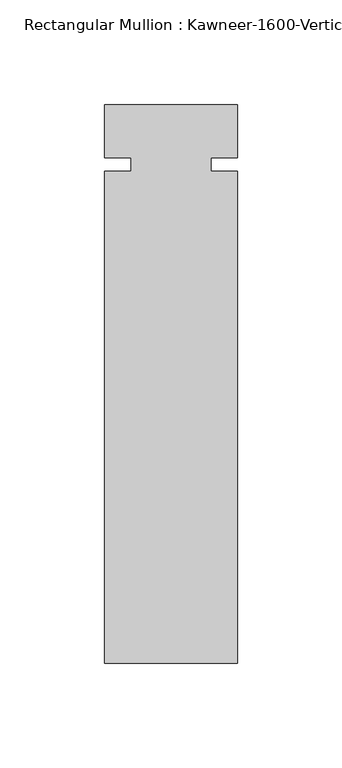
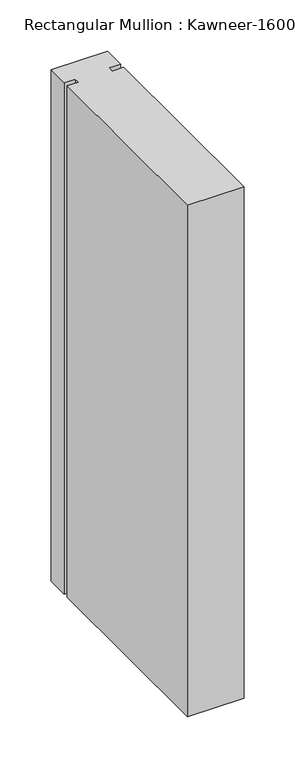
"""IFC4 building model written with IfcOpenShell, lengths in millimetres: member geometry."""

import ifcopenshell
import ifcopenshell.guid

model = None  # the IFC model being written
_history = None  # IfcOwnerHistory: only IFC2X3 demands one
_inside = {}  # id of a spatial element -> (the spatial element, [elements in it])
_under = {}  # id of a project, library or spatial element -> (it, [spatial elements below it])
_declared = {}  # id of a project -> (the project, [libraries it declares])
_typed = {}  # id of a type object -> (the type object, [elements of that type])
_made_of = {}  # id of a material, layer set ... -> (it, [elements and type objects made of it])


def new_model(schema):
    """Start an empty IFC model of exactly this schema.

    Asked for "IFC4X3", IfcOpenShell would pick the latest addendum, in which some entities
    have other attributes; the version numbers below select the first issue.
    IFC2X3 requires an IfcOwnerHistory on every rooted entity: one is made here for all.
    """
    global model, _history
    if schema == "IFC4X3":
        model = ifcopenshell.file(schema_version=(4, 3, 0, 0))
    else:
        model = ifcopenshell.file(schema=schema)
    _inside.clear()
    _under.clear()
    _declared.clear()
    _typed.clear()
    _made_of.clear()
    _history = None
    if model.schema == "IFC2X3":
        org = make("IfcOrganization", Name="unknown")
        user = make(
            "IfcPersonAndOrganization",
            ThePerson=make("IfcPerson", FamilyName="unknown"),
            TheOrganization=org,
        )
        app = make(
            "IfcApplication",
            ApplicationDeveloper=org,
            Version="unknown",
            ApplicationFullName="unknown",
            ApplicationIdentifier="unknown",
        )
        _history = make(
            "IfcOwnerHistory",
            OwningUser=user,
            OwningApplication=app,
            ChangeAction="ADDED",
            CreationDate=0,
        )
    return model


def make(cls, **values):
    """One entity of the class cls with the attributes given. An attribute that is None is left unset."""
    return model.create_entity(
        cls, **{name: value for name, value in values.items() if value is not None}
    )


def rooted(cls, **values):
    """An entity with a GlobalId (a new one), such as an element, a storey or a relation."""
    return make(cls, GlobalId=ifcopenshell.guid.new(), OwnerHistory=_history, **values)


def si_unit(unit_type, name, prefix=None):
    """IfcSIUnit, for example si_unit("LENGTHUNIT", "METRE", prefix="MILLI")."""
    return make("IfcSIUnit", UnitType=unit_type, Prefix=prefix, Name=name)


def assignment(units):
    """IfcUnitAssignment: the units of a project."""
    return None if units is None else make("IfcUnitAssignment", Units=units)


def point(xyz):
    """IfcCartesianPoint."""
    return None if xyz is None else make("IfcCartesianPoint", Coordinates=xyz)


def direction(xyz):
    """IfcDirection."""
    return None if xyz is None else make("IfcDirection", DirectionRatios=xyz)


def frame(location, z_axis=None, x_axis=None):
    """IfcAxis2Placement3D, a coordinate frame: its origin and axes. An axis left out is left unset."""
    return make(
        "IfcAxis2Placement3D",
        Location=point(location),
        Axis=direction(z_axis),
        RefDirection=direction(x_axis),
    )


def origin():
    """The frame at (0, 0, 0) with its axes left unset."""
    return frame((0.0, 0.0, 0.0))


def place(relative_to, where):
    """IfcLocalPlacement: puts the frame where relative to a parent placement (None: the world)."""
    return make(
        "IfcLocalPlacement", PlacementRelTo=relative_to, RelativePlacement=where
    )


def context(
    kind, dimensions, precision=None, world=None, true_north=None, identifier=None
):
    """IfcGeometricRepresentationContext, for example the 3D "Model" context."""
    return make(
        "IfcGeometricRepresentationContext",
        ContextIdentifier=identifier,
        ContextType=kind,
        CoordinateSpaceDimension=dimensions,
        Precision=precision,
        WorldCoordinateSystem=world,
        TrueNorth=true_north,
    )


def project(units=None, contexts=None):
    """IfcProject with its units and contexts."""
    return rooted(
        "IfcProject",
        Name="project",
        RepresentationContexts=contexts,
        UnitsInContext=assignment(units),
    )


def spatial(cls, under=None, at=None, **own):
    """A site, building, storey or space (cls), placed at a placement, below another one or the project."""
    s = rooted(cls, ObjectPlacement=at, **own)
    if under is not None:
        _under.setdefault(under.id(), (under, []))[1].append(s)
    return s


def polyline(points):
    """IfcPolyline through the points."""
    return make("IfcPolyline", Points=[point(p) for p in points])


def outline(outer, holes=None, kind="AREA"):
    """IfcArbitraryClosedProfileDef: a profile drawn as a closed curve; with holes, ...WithVoids."""
    if holes is None:
        return make("IfcArbitraryClosedProfileDef", ProfileType=kind, OuterCurve=outer)
    return make(
        "IfcArbitraryProfileDefWithVoids",
        ProfileType=kind,
        OuterCurve=outer,
        InnerCurves=holes,
    )


def extrude(swept, where, along, depth):
    """IfcExtrudedAreaSolid: the profile swept, set in the frame where, extruded along a direction by depth."""
    return make(
        "IfcExtrudedAreaSolid",
        SweptArea=swept,
        Position=where,
        ExtrudedDirection=direction(along),
        Depth=depth,
    )


def shape(context_of_items, identifier, shape_type, items):
    """IfcShapeRepresentation: the items that make up one representation, for example the "Body"."""
    return make(
        "IfcShapeRepresentation",
        ContextOfItems=context_of_items,
        RepresentationIdentifier=identifier,
        RepresentationType=shape_type,
        Items=items,
    )


def source(mapping_origin, context_of_items, identifier, shape_type, items):
    """IfcRepresentationMap: a shape defined once, which mapped items show again and again."""
    return make(
        "IfcRepresentationMap",
        MappingOrigin=mapping_origin,
        MappedRepresentation=shape(context_of_items, identifier, shape_type, items),
    )


def transform(
    local_origin,
    x_axis=None,
    y_axis=None,
    z_axis=None,
    scale=None,
    scale2=None,
    scale3=None,
    uniform=True,
):
    """IfcCartesianTransformationOperator3D, or its non-uniform kind. x_axis, y_axis, z_axis: its Axis1, 2, 3."""
    if uniform:
        return make(
            "IfcCartesianTransformationOperator3D",
            Axis1=direction(x_axis),
            Axis2=direction(y_axis),
            LocalOrigin=point(local_origin),
            Scale=scale,
            Axis3=direction(z_axis),
        )
    return make(
        "IfcCartesianTransformationOperator3DnonUniform",
        Axis1=direction(x_axis),
        Axis2=direction(y_axis),
        LocalOrigin=point(local_origin),
        Scale=scale,
        Axis3=direction(z_axis),
        Scale2=scale2,
        Scale3=scale3,
    )


def mapped(mapping_source, mapping_target):
    """IfcMappedItem: shows the shape of a source again, moved by a transform."""
    return make(
        "IfcMappedItem", MappingSource=mapping_source, MappingTarget=mapping_target
    )


def made_of(thing, what):
    """Note that an element or type object is made of a material, layer set ...; save() writes the relation."""
    if what is not None:
        _made_of.setdefault(what.id(), (what, []))[1].append(thing)
    return thing


def element(
    cls,
    number,
    at=None,
    inside=None,
    cuts=None,
    type_object=None,
    material=None,
    context=None,
    identifier="Body",
    shape_type=None,
    held_by="IfcProductDefinitionShape",
    body=None,
    shapes=None,
    **own,
):
    """One element of the class cls, such as IfcWall. Its Tag is "e" and its number.

    at: its placement. inside: the storey or other place that contains it. cuts: it is an
    opening in that element (IfcRelVoidsElement). A single representation is given by context,
    identifier, shape_type and body (its items); several are given by shapes. held_by: the class
    of the entity that holds the representations. save() writes the other relations.
    """
    e = rooted(cls, Tag="e%d" % number, ObjectPlacement=at, **own)
    if body is not None:
        shapes = [shape(context, identifier, shape_type, body)]
    if shapes is not None:
        e.Representation = make(held_by, Representations=shapes)
    if inside is not None:
        _inside.setdefault(inside.id(), (inside, []))[1].append(e)
    if cuts is not None:
        rooted(
            "IfcRelVoidsElement", RelatingBuildingElement=cuts, RelatedOpeningElement=e
        )
    if type_object is not None:
        _typed.setdefault(type_object.id(), (type_object, []))[1].append(e)
    return made_of(e, material)


def aggregate(whole, parts):
    """IfcRelAggregates: a whole, such as a stair, and the parts it consists of."""
    return rooted("IfcRelAggregates", RelatingObject=whole, RelatedObjects=parts)


def save(model, path):
    """Write the relations noted so far, then the file.

    IfcRelAggregates (storeys below a building ...), IfcRelContainedInSpatialStructure (elements
    in a storey), IfcRelDefinesByType, IfcRelAssociatesMaterial and IfcRelDeclares: one each for
    every whole, place, type object, material and project.
    """
    for whole, parts in _under.values():
        aggregate(whole, parts)
    for where, things in _inside.values():
        rooted(
            "IfcRelContainedInSpatialStructure",
            RelatedElements=things,
            RelatingStructure=where,
        )
    for kind, things in _typed.values():
        rooted("IfcRelDefinesByType", RelatedObjects=things, RelatingType=kind)
    for what, things in _made_of.values():
        rooted("IfcRelAssociatesMaterial", RelatedObjects=things, RelatingMaterial=what)
    for by, libraries in _declared.values():
        rooted("IfcRelDeclares", RelatingContext=by, RelatedDefinitions=libraries)
    model.write(path)


def member_5c1c99f7(model_context):
    return source(origin(), model_context, "Body", "SweptSolid", [
        extrude(outline(polyline([(31.75, -238.125), (-31.75, -238.125), (-31.75, -3.175), (-19.05, -3.175), (-19.05, 3.175), (-31.75, 3.175), (-31.75, 28.575), (31.75, 28.575), (31.75, 3.175), (19.05, 3.175), (19.05, -3.175), (31.75, -3.175), (31.75, -238.125)])), frame((0.0, 0.0, -609.6), z_axis=(0.0, 0.0, 1.0), x_axis=(1.0, 0.0, 0.0)), (0.0, 0.0, 1.0), 609.6),
    ])


if __name__ == "__main__":
    model = new_model("IFC4")
    model_context = context("Model", 3, world=origin())
    ifc_project = project(units=[si_unit("LENGTHUNIT", "METRE", prefix="MILLI")], contexts=[model_context])
    site = spatial("IfcSite", under=ifc_project)
    building = spatial("IfcBuilding", under=site)
    placement = place(None, origin())
    member_shape = member_5c1c99f7(model_context)
    element("IfcMember", 1, ObjectType="Rectangular Mullion : Kawneer-1600-Vertical_Interior-System1-10_1/2\"-1/4\"Infill", at=placement, inside=building, context=model_context, shape_type="MappedRepresentation", body=[
        mapped(member_shape, transform((0.0, 0.0, 0.0), x_axis=(1.0, 0.0, 0.0), y_axis=(0.0, 1.0, 0.0), z_axis=(0.0, 0.0, 1.0))),
    ])
    save(model, "model.ifc")
